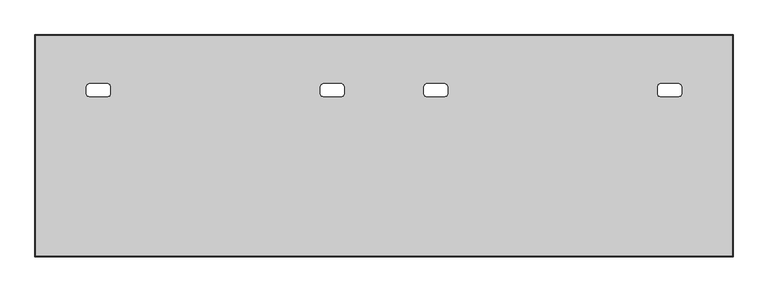
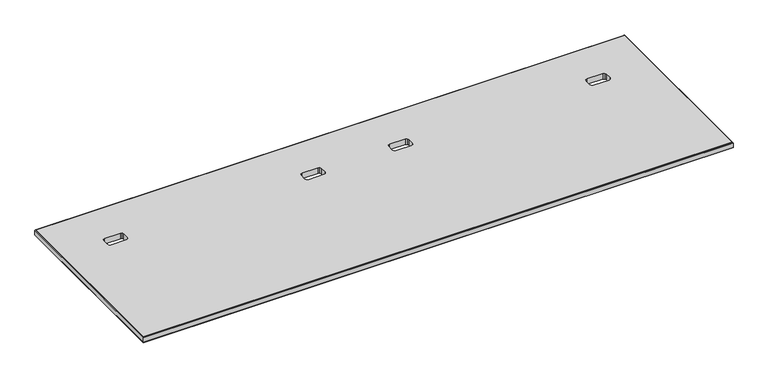
"""IFC4 building model written with IfcOpenShell, lengths in millimetres: furniture geometry."""

from ifc_helpers import new_model, si_unit, frame, origin, place, context, project, spatial, polyline, outline, extrude, faceted_brep, source, transform, mapped, element, save


def furniture_60a6a9ce(model_context):
    return source(origin(), model_context, "Body", "SolidModel", [
        faceted_brep([(1.999996, -824.6684132, 711.1999758), (1.999996, -824.6684132, 735.200037), (2435.1045616, -824.6684132, 735.200037), (2435.1045616, -824.6684132, 711.1999758), (0.5857824, -826.0826267, 711.7857685), (2436.5187752, -826.0826267, 711.7857685), (0.0, -826.6684092, 713.1999894), (2437.1045576, -826.6684092, 713.1999894), (0.0, -826.6684092, 733.2000234), (2437.1045576, -826.6684092, 733.2000234), (0.5857824, -826.0826267, 734.6142443), (2436.5187752, -826.0826267, 734.6142443), (2435.1045616, -52.9523956, 735.200037), (2435.1045616, -52.9523956, 711.1999758), (2436.5187752, -51.538182, 711.7857685), (2437.1045576, -50.9523996, 713.1999894), (2437.1045576, -50.9523996, 733.2000234), (2436.5187752, -51.538182, 734.6142443), (1.999996, -52.9523956, 735.200037), (1.999996, -52.9523956, 711.1999758), (0.5857824, -51.538182, 711.7857685), (0.0, -50.9523996, 713.1999894), (0.0, -50.9523996, 733.2000234), (0.5857824, -51.538182, 734.6142443)], [[[0, 1, 2, 3]], [[4, 0, 3, 5]], [[6, 4, 5, 7]], [[8, 6, 7, 9]], [[10, 8, 9, 11]], [[1, 10, 11, 2]], [[3, 2, 12, 13]], [[5, 3, 13, 14]], [[7, 5, 14, 15]], [[9, 7, 15, 16]], [[11, 9, 16, 17]], [[2, 11, 17, 12]], [[13, 12, 18, 19]], [[14, 13, 19, 20]], [[15, 14, 20, 21]], [[16, 15, 21, 22]], [[17, 16, 22, 23]], [[12, 17, 23, 18]], [[19, 18, 1, 0]], [[20, 19, 0, 4]], [[21, 20, 4, 6]], [[22, 21, 6, 8]], [[23, 22, 8, 10]], [[18, 23, 10, 1]]]),
        extrude(outline(polyline([(1.999996, -52.9523956), (2435.1045616, -52.9523956), (2435.1045616, -824.6684132), (1.999996, -824.6684132), (1.999996, -52.9523956)]), holes=[polyline([(253.7409981, -221.568398), (189.2349973, -221.568398), (182.4962734, -224.3596702), (179.7050012, -231.098394), (179.7050012, -257.5043949), (182.4962734, -264.2431187), (189.2349973, -267.0343909), (253.7409981, -267.0343909), (260.479722, -264.2431187), (263.2709942, -257.5043949), (263.2709942, -231.098394), (260.479722, -224.3596702), (253.7409981, -221.568398)]), polyline([(2247.8695876, -221.568398), (2183.3635868, -221.568398), (2176.6248629, -224.3596702), (2173.8335907, -231.098394), (2173.8335907, -257.5043949), (2176.6248629, -264.2431187), (2183.3635868, -267.0343909), (2247.8695876, -267.0343909), (2254.6083115, -264.2431187), (2257.3995837, -257.5043949), (2257.3995837, -231.098394), (2254.6083115, -224.3596702), (2247.8695876, -221.568398)]), polyline([(1070.2741036, -221.568398), (1005.7681027, -221.568398), (999.0293789, -224.3596702), (996.2381067, -231.098394), (996.2381067, -257.5043949), (999.0293789, -264.2431187), (1005.7681027, -267.0343909), (1070.2741036, -267.0343909), (1077.0128274, -264.2431187), (1079.8040997, -257.5043949), (1079.8040997, -231.098394), (1077.0128274, -224.3596702), (1070.2741036, -221.568398)]), polyline([(1431.3364821, -221.568398), (1366.8304813, -221.568398), (1360.0917574, -224.3596702), (1357.3004852, -231.098394), (1357.3004852, -257.5043949), (1360.0917574, -264.2431187), (1366.8304813, -267.0343909), (1431.3364821, -267.0343909), (1438.075206, -264.2431187), (1440.8664782, -257.5043949), (1440.8664782, -231.098394), (1438.075206, -224.3596702), (1431.3364821, -221.568398)])]), frame((0.0, 0.0, 711.1999758), z_axis=(0.0, 0.0, 1.0), x_axis=(1.0, 0.0, 0.0)), (0.0, 0.0, 1.0), 24.003),
    ])


if __name__ == "__main__":
    model = new_model("IFC4")
    model_context = context("Model", 3, world=origin())
    ifc_project = project(units=[si_unit("LENGTHUNIT", "METRE", prefix="MILLI")], contexts=[model_context])
    site = spatial("IfcSite", under=ifc_project)
    building = spatial("IfcBuilding", under=site)
    placement = place(None, origin())
    furniture_shape = furniture_60a6a9ce(model_context)
    element("IfcFurniture", 1, at=placement, inside=building, context=model_context, shape_type="MappedRepresentation", body=[
        mapped(furniture_shape, transform((0.0, 0.0, 0.0), x_axis=(1.0, 0.0, 0.0), y_axis=(0.0, 1.0, 0.0), z_axis=(0.0, 0.0, 1.0))),
    ])
    save(model, "model.ifc")
